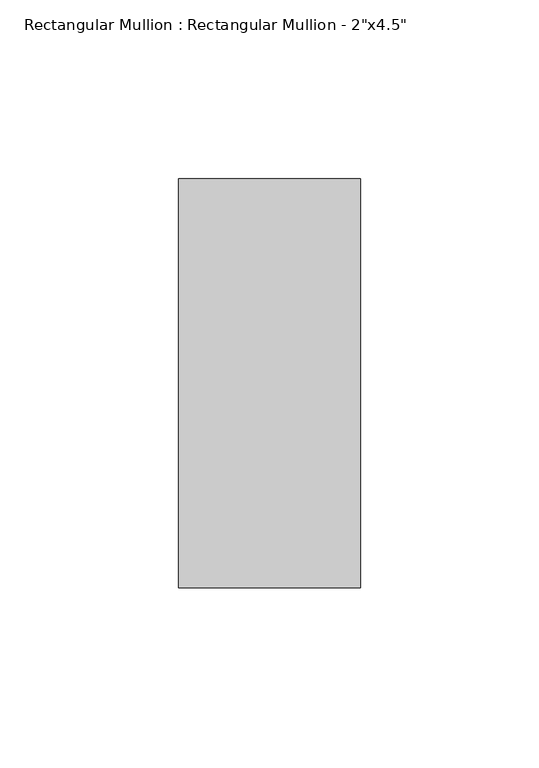
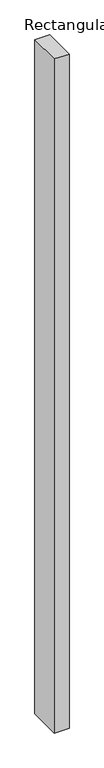
"""IFC4 building model written with IfcOpenShell, lengths in millimetres: member geometry."""

from ifc_helpers import new_model, si_unit, frame, origin, place, context, project, spatial, polyline, outline, extrude, source, transform, mapped, element, save


def member_48799f1e(model_context):
    return source(origin(), model_context, "Body", "SweptSolid", [
        extrude(outline(polyline([(0.0, 57.15), (0.0, -57.15), (-50.8, -57.15), (-50.8, 57.15), (0.0, 57.15)])), frame((0.0, 0.0, -2438.4), z_axis=(0.0, 0.0, 1.0), x_axis=(1.0, 0.0, 0.0)), (0.0, 0.0, 1.0), 2438.4),
    ])


if __name__ == "__main__":
    model = new_model("IFC4")
    model_context = context("Model", 3, world=origin())
    ifc_project = project(units=[si_unit("LENGTHUNIT", "METRE", prefix="MILLI")], contexts=[model_context])
    site = spatial("IfcSite", under=ifc_project)
    building = spatial("IfcBuilding", under=site)
    placement = place(None, origin())
    member_shape = member_48799f1e(model_context)
    element("IfcMember", 1, ObjectType="Rectangular Mullion : Rectangular Mullion - 2\"x4.5\"", at=placement, inside=building, context=model_context, shape_type="MappedRepresentation", body=[
        mapped(member_shape, transform((0.0, 0.0, 0.0), x_axis=(1.0, 0.0, 0.0), y_axis=(0.0, 1.0, 0.0), z_axis=(0.0, 0.0, 1.0))),
    ])
    save(model, "model.ifc")
